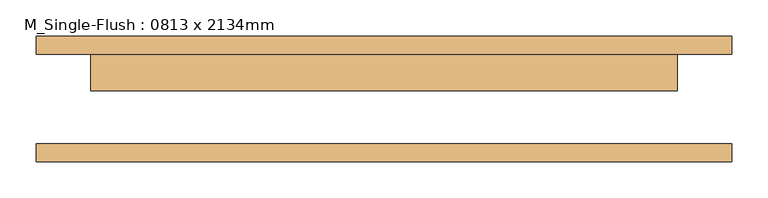
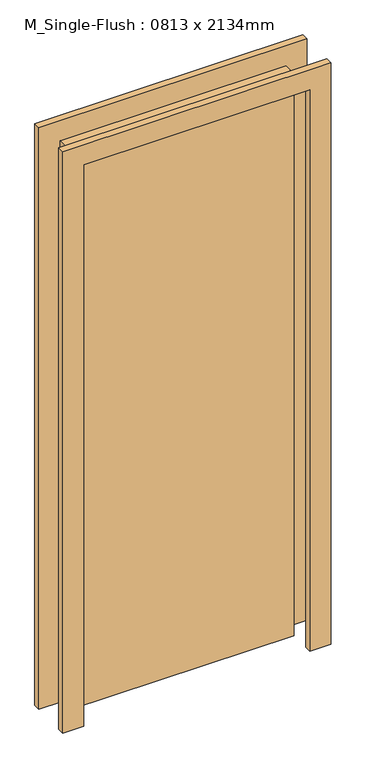
"""IFC4 building model written with IfcOpenShell, lengths in millimetres: door geometry, M_Single-Flush : 0813 x 2134mm."""

from ifc_helpers import new_model, si_unit, frame, origin, origin_with_axes, place, context, project, spatial, polyline, outline, extrude, source, transform, mapped, element, save


def m_single_flush_0813_x_2134mm_60f1c364(model_context):
    return source(origin(), model_context, "Body", "SweptSolid", [
        extrude(outline(polyline([(2210.0, -482.5), (0.0, -482.5), (0.0, -406.5), (2134.0, -406.5), (2134.0, 406.5), (0.0, 406.5), (0.0, 482.5), (2210.0, 482.5), (2210.0, -482.5)])), frame((0.0, 62.0, 0.0), z_axis=(0.0, 1.0, 0.0), x_axis=(0.0, 0.0, 1.0)), (0.0, 0.0, 1.0), 25.0),
        extrude(outline(polyline([(2210.0, 482.5), (2210.0, -482.5), (0.0, -482.5), (0.0, -406.5), (2134.0, -406.5), (2134.0, 406.5), (0.0, 406.5), (0.0, 482.5), (2210.0, 482.5)])), frame((0.0, -87.0, 0.0), z_axis=(0.0, 1.0, 0.0), x_axis=(0.0, 0.0, 1.0)), (0.0, 0.0, 1.0), 25.0),
        extrude(outline(polyline([(406.5, 11.0), (-406.5, 11.0), (-406.5, 62.0), (406.5, 62.0), (406.5, 11.0)])), origin_with_axes(), (0.0, 0.0, 1.0), 2134.0),
    ])


if __name__ == "__main__":
    model = new_model("IFC4")
    model_context = context("Model", 3, world=origin())
    ifc_project = project(units=[si_unit("LENGTHUNIT", "METRE", prefix="MILLI")], contexts=[model_context])
    site = spatial("IfcSite", under=ifc_project)
    building = spatial("IfcBuilding", under=site)
    placement = place(None, origin())
    m_single_flush_0813_x_2134mm_shape = m_single_flush_0813_x_2134mm_60f1c364(model_context)
    element("IfcDoor", 1, ObjectType="M_Single-Flush : 0813 x 2134mm", at=placement, inside=building, context=model_context, shape_type="MappedRepresentation", body=[
        mapped(m_single_flush_0813_x_2134mm_shape, transform((0.0, 0.0, 0.0), x_axis=(1.0, 0.0, 0.0), y_axis=(0.0, 1.0, 0.0), z_axis=(0.0, 0.0, 1.0))),
    ])
    save(model, "model.ifc")
